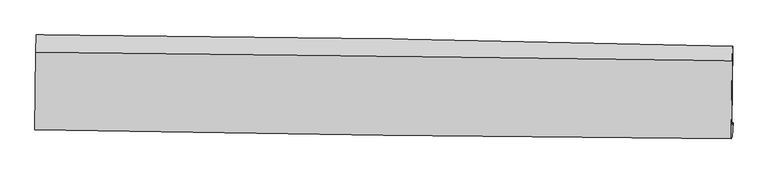
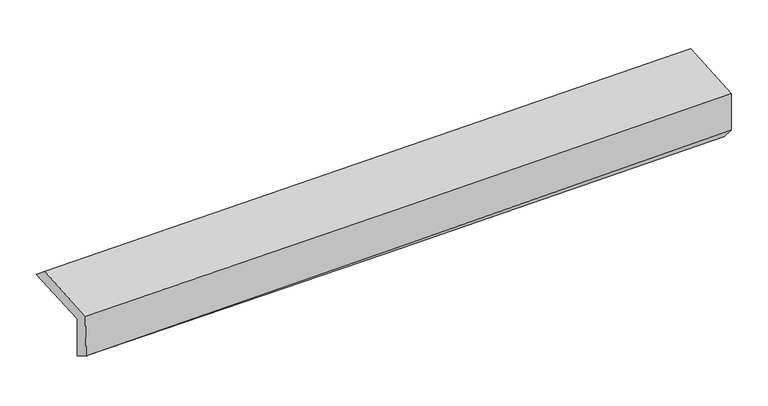
"""IFC4 building model written with IfcOpenShell, lengths in millimetres: proxy geometry."""

from ifc_helpers import new_model, si_unit, frame, origin, place, context, project, spatial, source, transform, mapped, element, save
from ifc_brep_helpers import plane_surface, spline_curve, spline_surface, advanced_brep


def generic_models_51fb2b6e(model_context):
    return source(origin(), model_context, "Body", "AdvancedBrep", [
        advanced_brep(
        [(-3027.6679044, -1770.868911, 1958.310792), (-3018.9520392, -1087.4526351, 1982.8940107), (3013.5367426, -1185.8349516, 2128.2025406), (3005.098247, -1868.4151873, 2093.6525765), (-3017.0696657, -1748.8949807, 1572.3581741), (3015.7492886, -1846.38421, 1705.7501025), (-3021.8055828, -1902.9866269, 1670.6688146), (3010.4366806, -1967.5337263, 1842.6086744), (-3032.5656371, -1908.114199, 2071.3456607), (3000.0350788, -1986.642268, 2222.6636788), (-3024.2598317, -1236.2671208, 2105.3523477), (3008.4026136, -1309.8019632, 2256.9231064)],
        [
            (0, 1),
            (1, 2, spline_curve(3, [(-3018.9520392, -1087.4526351, 1982.8940107), (-2013.256705777, -1093.736093594, 2001.546749297), (-1007.698329075, -1105.0764363, 2022.982260558), (1003.131261427, -1137.870675004, 2071.418510874), (2008.402478611, -1159.324437669, 2098.419175818), (3013.5367426, -1185.8349516, 2128.2025406)], [4, 2, 4], [0.0, 9.90020918315435, 19.80028789342379])),
            (2, 3),
            (3, 0, spline_curve(3, [(3005.098247, -1868.4151873, 2093.6525765), (1999.88584697, -1851.82494098, 2061.698936264), (994.552447714, -1835.401013936, 2034.443677338), (-1016.369599572, -1802.885584406, 1989.329625586), (-2021.958250985, -1786.794085866, 1971.470955923), (-3027.6679044, -1770.868911, 1958.310792)], [4, 2, 4], [0.0, 9.900078710269439, 19.80028789342379])),
            (4, 0),
            (3, 5),
            (5, 4, spline_curve(3, [(3015.7492886, -1846.38421, 1705.7501025), (2010.639788136, -1829.56362349, 1669.975628477), (1005.353439237, -1813.029279242, 1640.97242625), (-1005.586207811, -1780.532862225, 1596.508271356), (-2011.239509834, -1764.570796402, 1581.047497629), (-3017.0696657, -1748.8949807, 1572.3581741)], [4, 2, 4], [0.0, 9.900155436327982, 19.800441346552045])),
            (6, 4),
            (5, 7),
            (7, 6, spline_curve(3, [(3010.4366806, -1967.5337263, 1842.6086744), (2005.062085648, -1958.551252241, 1812.824103588), (999.691245343, -1948.681131879, 1783.603586967), (-1011.056176051, -1927.165455144, 1726.29028557), (-2016.432756786, -1915.519876072, 1698.197515467), (-3021.8055828, -1902.9866269, 1670.6688146)], [4, 2, 4], [0.0, 9.899944848131094, 19.800020167382932])),
            (8, 6),
            (7, 9),
            (9, 8, spline_curve(3, [(3000.0350788, -1986.642268, 2222.6636788), (1994.539958092, -1980.321073051, 2196.028801748), (989.078983996, -1970.616535286, 2170.101606658), (-1021.78792209, -1944.440601229, 2119.662248375), (-2027.193853282, -1927.969116056, 2095.150104139), (-3032.5656371, -1908.114199, 2071.3456607)], [4, 2, 4], [0.0, 9.89991483165107, 19.7999601340273])),
            (10, 8),
            (9, 11),
            (11, 10, spline_curve(3, [(3008.4026136, -1309.8019632, 2256.9231064), (2003.000086478, -1295.990988798, 2230.667337109), (997.58026539, -1282.957633011, 2204.908636076), (-1013.30721602, -1258.445998471, 2154.385036602), (-2018.774876626, -1246.967739981, 2129.620151582), (-3024.2598317, -1236.2671208, 2105.3523477)], [4, 2, 4], [0.0, 9.899899367703648, 19.799929205928656])),
            (1, 10),
            (11, 2),
        ],
        [
            spline_surface(3, 3, [[(-3027.6679044, -1770.868911, 1958.310792), (-2021.958250866, -1786.794085853, 1971.470956056), (-1016.369599556, -1802.885584258, 1989.329625457), (994.552447699, -1835.401014083, 2034.443677467), (1999.8858469, -1851.824941096, 2061.698936227), (3005.098247, -1868.4151873, 2093.6525765)], [(-3024.762616032, -1543.063485686, 1966.505198223), (-2019.05773587, -1555.774755037, 1981.496220428), (-1013.479176041, -1570.282534924, 2000.54717056), (997.412052239, -1602.890901071, 2046.768621896), (2002.724724088, -1620.991439957, 2073.939016084), (3007.911078866, -1640.888442051, 2105.169231197)], [(-3021.857327568, -1315.258060414, 1974.699604477), (-2016.15722078, -1324.755424262, 1991.521484832), (-1010.588752505, -1337.67948559, 2011.764715618), (1000.271656801, -1370.38078806, 2059.093566282), (2005.563601278, -1390.157938865, 2086.17909595), (3010.723910734, -1413.361696849, 2116.685885903)], [(-3018.9520392, -1087.4526351, 1982.8940107), (-2013.256705784, -1093.736093446, 2001.546749204), (-1007.69832899, -1105.076436256, 2022.982260721), (1003.131261341, -1137.870675048, 2071.418510711), (2008.402478465, -1159.324437726, 2098.419175807), (3013.5367426, -1185.8349516, 2128.2025406)]], [4, 4], [4, 2, 4], [0.0, 2.292047731968341], [0.0, 9.90020918315435, 19.80028789342379]),
            spline_surface(3, 3, [[(-3017.0696657, -1748.8949807, 1572.3581741), (-2011.239509996, -1764.57079641, 1581.047497734), (-1005.586207662, -1780.532862075, 1596.508271507), (1005.353439088, -1813.029279391, 1640.972426099), (2010.639788232, -1829.563623483, 1669.975628498), (3015.7492886, -1846.38421, 1705.7501025)], [(-3020.602411925, -1756.219624142, 1701.00904674), (-2014.812423611, -1771.978559566, 1711.188650515), (-1009.180671606, -1787.983769476, 1727.448722833), (1001.753108645, -1820.486524295, 1772.129509897), (2007.055141129, -1836.9840627, 1800.550064437), (3012.198941408, -1853.727869112, 1835.050927196)], [(-3024.135158175, -1763.544267558, 1829.65991936), (-2018.385337251, -1779.386322697, 1841.329803275), (-1012.775135612, -1795.434676858, 1858.389174131), (998.152778141, -1827.94376918, 1903.286593668), (2003.470494003, -1844.40450188, 1931.124500288), (3008.648594192, -1861.071528188, 1964.351751804)], [(-3027.6679044, -1770.868911, 1958.310792), (-2021.958250866, -1786.794085853, 1971.470956056), (-1016.369599556, -1802.885584258, 1989.329625457), (994.552447699, -1835.401014083, 2034.443677467), (1999.8858469, -1851.824941096, 2061.698936227), (3005.098247, -1868.4151873, 2093.6525765)]], [4, 4], [4, 2, 4], [0.0, 1.2924200426394226], [0.0, 9.900285910224063, 19.800441346552045]),
            spline_surface(3, 3, [[(-3021.8055828, -1902.9866269, 1670.6688146), (-2016.432756733, -1915.519876154, 1698.197515372), (-1011.056175962, -1927.165455302, 1726.290285533), (999.691245255, -1948.681131722, 1783.603587004), (2005.062085647, -1958.551252341, 1812.824103436), (3010.4366806, -1967.5337263, 1842.6086744)], [(-3020.226943759, -1851.622744827, 1637.898601101), (-2014.70167448, -1865.203516233, 1659.147509494), (-1009.232853203, -1878.287924228, 1683.02961417), (1001.578643192, -1903.463847613, 1736.059866681), (2006.921319842, -1915.555376037, 1765.207945102), (3012.207549934, -1927.150554182, 1796.989150412)], [(-3018.648304741, -1800.258862773, 1605.128387599), (-2012.970592249, -1814.88715633, 1620.097503612), (-1007.409530421, -1829.410393149, 1639.76894287), (1003.466041151, -1858.2465635, 1688.516146422), (2008.780554037, -1872.559499787, 1717.591786833), (3013.978419266, -1886.767382118, 1751.369626488)], [(-3017.0696657, -1748.8949807, 1572.3581741), (-2011.239509996, -1764.57079641, 1581.047497734), (-1005.586207662, -1780.532862075, 1596.508271507), (1005.353439088, -1813.029279391, 1640.972426099), (2010.639788232, -1829.563623483, 1669.975628498), (3015.7492886, -1846.38421, 1705.7501025)]], [4, 4], [4, 2, 4], [0.0, 0.6437835567347419], [0.0, 9.900075319251838, 19.800020167382932]),
            spline_surface(3, 3, [[(-3032.5656371, -1908.114199, 2071.3456607), (-2027.193853255, -1927.969116148, 2095.150104223), (-1021.787922143, -1944.44060135, 2119.662248509), (989.078984048, -1970.616535166, 2170.101606523), (1994.539958254, -1980.321072974, 2196.028801616), (3000.0350788, -1986.642268, 2222.6636788)], [(-3028.978952328, -1906.405008287, 1937.786712015), (-2023.606821076, -1923.81936947, 1962.832574621), (-1018.210673407, -1938.682219347, 1988.538260845), (992.61640446, -1963.304734031, 2041.268933344), (1998.047334052, -1973.064466105, 2068.293902247), (3003.5022794, -1980.272754108, 2095.978677358)], [(-3025.392267572, -1904.695817613, 1804.227763285), (-2020.019788912, -1919.669622832, 1830.515044974), (-1014.633424698, -1932.923837304, 1857.414273198), (996.153824843, -1955.992932856, 1912.436260183), (2001.55470985, -1965.80785921, 1940.559002805), (3006.96948, -1973.903240192, 1969.293675842)], [(-3021.8055828, -1902.9866269, 1670.6688146), (-2016.432756733, -1915.519876154, 1698.197515372), (-1011.056175962, -1927.165455302, 1726.290285533), (999.691245255, -1948.681131722, 1783.603587004), (2005.062085647, -1958.551252341, 1812.824103436), (3010.4366806, -1967.5337263, 1842.6086744)]], [4, 4], [4, 2, 4], [0.0, 1.2814088313846317], [0.0, 9.900045302376231, 19.7999601340273]),
            spline_surface(3, 3, [[(-3024.2598317, -1236.2671208, 2105.3523477), (-2018.774876538, -1246.967739875, 2129.620151651), (-1013.307215979, -1258.445998424, 2154.38503666), (997.580265348, -1282.957633058, 2204.908636018), (2003.000086523, -1295.990988635, 2230.667337196), (3008.4026136, -1309.8019632, 2256.9231064)], [(-3027.028433502, -1460.216146877, 2094.016785368), (-2021.581202112, -1473.968198643, 2118.130135843), (-1016.134118044, -1487.11086605, 2142.810773955), (994.746504904, -1512.177267077, 2193.306292866), (2000.18004374, -1524.101016749, 2219.121158641), (3005.613435306, -1535.415398135, 2245.503297171)], [(-3029.797035298, -1684.165172923, 2082.681223032), (-2024.387527681, -1700.96865738, 2106.640120031), (-1018.961020077, -1715.775733724, 2131.236511214), (991.912744493, -1741.396901146, 2181.703949676), (1997.360001038, -1752.21104486, 2207.574980171), (3002.824257094, -1761.028833065, 2234.083488029)], [(-3032.5656371, -1908.114199, 2071.3456607), (-2027.193853255, -1927.969116148, 2095.150104223), (-1021.787922143, -1944.44060135, 2119.662248509), (989.078984048, -1970.616535166, 2170.101606523), (1994.539958254, -1980.321072974, 2196.028801616), (3000.0350788, -1986.642268, 2222.6636788)]], [4, 4], [4, 2, 4], [0.0, 2.256425320608547], [0.0, 9.900029838225008, 19.799929205928656]),
            spline_surface(3, 3, [[(-3018.9520392, -1087.4526351, 1982.8940107), (-2013.256705784, -1093.736093446, 2001.546749204), (-1007.69832899, -1105.076436256, 2022.982260721), (1003.131261341, -1137.870675048, 2071.418510711), (2008.402478465, -1159.324437726, 2098.419175807), (3013.5367426, -1185.8349516, 2128.2025406)], [(-3020.721303354, -1137.057463681, 2023.713456353), (-2015.096096023, -1144.813308937, 2044.237883339), (-1009.56795799, -1156.19962364, 2066.783186024), (1001.28092934, -1186.23299438, 2115.915219137), (2006.601681171, -1204.879954708, 2142.50189627), (3011.825366287, -1227.157288812, 2171.109395866)], [(-3022.490567546, -1186.662292219, 2064.532902047), (-2016.935486299, -1195.890524384, 2086.929017515), (-1011.437586978, -1207.32281104, 2110.584111356), (999.43059735, -1234.595313726, 2160.411927592), (2004.800883817, -1250.435471653, 2186.584616733), (3010.113989913, -1268.479625988, 2214.016251134)], [(-3024.2598317, -1236.2671208, 2105.3523477), (-2018.774876538, -1246.967739875, 2129.620151651), (-1013.307215979, -1258.445998424, 2154.38503666), (997.580265348, -1282.957633058, 2204.908636018), (2003.000086523, -1295.990988635, 2230.667337196), (3008.4026136, -1309.8019632, 2256.9231064)]], [4, 4], [4, 2, 4], [0.0, 0.6548731012574522], [0.0, 9.900086961618806, 19.800043451963433]),
            plane_surface(frame((3008.8764418, -1694.1020511, 2041.6334465), z_axis=(0.9995503894664205, -0.013706890709535508, 0.026667209539135463), x_axis=(0.02732394166266705, 0.05019618017218659, -0.9983655371196146))),
            plane_surface(frame((-3023.7201102, -1609.0974122, 1893.4883), z_axis=(-0.9995503894664075, 0.013706890710140219, -0.026667209539309424), x_axis=(-0.012744098607848354, -0.999272511176781, -0.035944907248784665))),
        ],
        [
            (0, [[1, 2, 3, 4]]),
            (1, [[5, -4, 6, 7]]),
            (2, [[8, -7, 9, 10]]),
            (3, [[11, -10, 12, 13]]),
            (4, [[14, -13, 15, 16]]),
            (5, [[17, -16, 18, -2]]),
            (6, [[-12, -9, -6, -3, -18, -15]]),
            (7, [[-1, -5, -8, -11, -14, -17]]),
        ],
    ),
    ])


if __name__ == "__main__":
    model = new_model("IFC4")
    model_context = context("Model", 3, world=origin())
    ifc_project = project(units=[si_unit("LENGTHUNIT", "METRE", prefix="MILLI")], contexts=[model_context])
    site = spatial("IfcSite", under=ifc_project)
    building = spatial("IfcBuilding", under=site)
    placement = place(None, origin())
    generic_models_shape = generic_models_51fb2b6e(model_context)
    element("IfcBuildingElementProxy", 1, Name="Generic Models", at=placement, inside=building, context=model_context, shape_type="MappedRepresentation", body=[
        mapped(generic_models_shape, transform((0.0, 0.0, 0.0), x_axis=(1.0, 0.0, 0.0), y_axis=(0.0, 1.0, 0.0), z_axis=(0.0, 0.0, 1.0))),
    ])
    save(model, "model.ifc")
